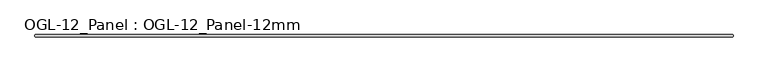
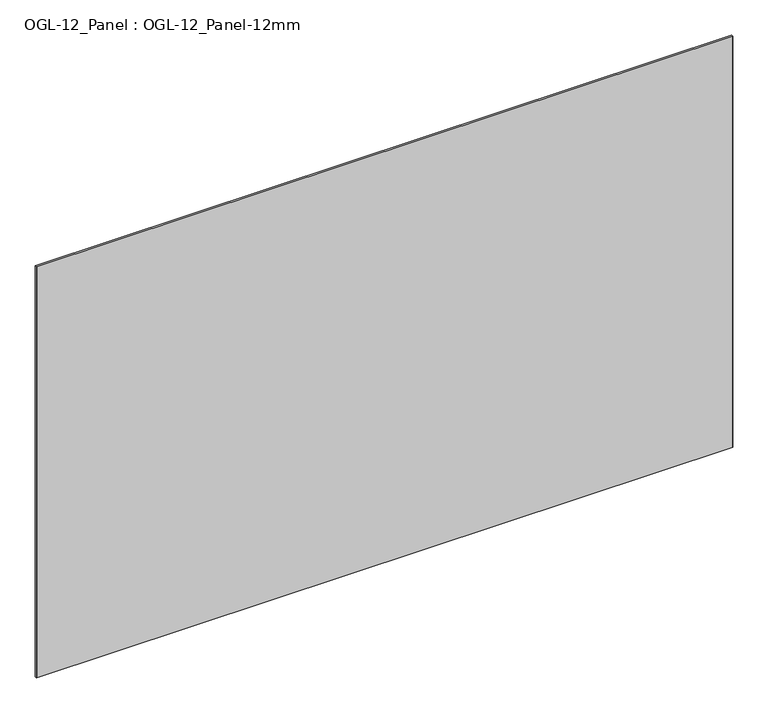
"""IFC4 building model written with IfcOpenShell, lengths in millimetres: plate geometry, OGL-12_Panel : OGL-12_Panel-12mm."""

from ifc_helpers import new_model, si_unit, origin, origin_with_axes, place, context, project, spatial, polyline, outline, extrude, source, transform, mapped, element, save


def ogl_12_panel_ogl_12_panel_12mm_90216989(model_context):
    return source(origin(), model_context, "Body", "SweptSolid", [
        extrude(outline(polyline([(1875.2379152, 29.1703125), (1876.8254152, 27.5828125), (1876.8254152, 18.0578125), (1875.2379152, 16.4703125), (-1875.2379152, 16.4703125), (-1876.8254152, 18.0578125), (-1876.8254152, 27.5828125), (-1875.2379152, 29.1703125), (1875.2379152, 29.1703125)])), origin_with_axes(), (0.0, 0.0, 1.0), 2339.9738578),
    ])


if __name__ == "__main__":
    model = new_model("IFC4")
    model_context = context("Model", 3, world=origin())
    ifc_project = project(units=[si_unit("LENGTHUNIT", "METRE", prefix="MILLI")], contexts=[model_context])
    site = spatial("IfcSite", under=ifc_project)
    building = spatial("IfcBuilding", under=site)
    placement = place(None, origin())
    ogl_12_panel_ogl_12_panel_12mm_shape = ogl_12_panel_ogl_12_panel_12mm_90216989(model_context)
    element("IfcPlate", 1, ObjectType="OGL-12_Panel : OGL-12_Panel-12mm", at=placement, inside=building, context=model_context, shape_type="MappedRepresentation", body=[
        mapped(ogl_12_panel_ogl_12_panel_12mm_shape, transform((0.0, 0.0, 0.0), x_axis=(1.0, 0.0, 0.0), y_axis=(0.0, 1.0, 0.0), z_axis=(0.0, 0.0, 1.0))),
    ])
    save(model, "model.ifc")
